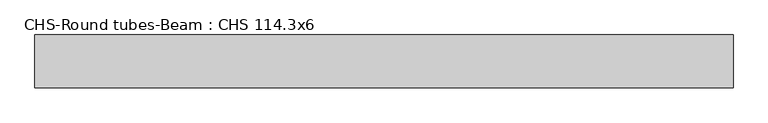
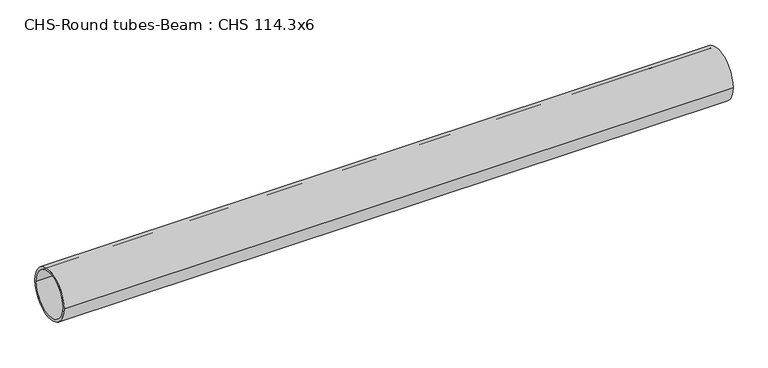
"""IFC4 building model written with IfcOpenShell, lengths in millimetres: beam geometry, CHS-Round tubes-Beam : CHS 114.3x6."""

from ifc_helpers import new_model, si_unit, point, frame, origin, origin_2d, place, context, project, spatial, circle_curve, trimmed, segment, composite_curve, outline, extrude, source, transform, mapped, element, save


def chs_round_tubes_beam_chs_114_3x6_0843cf11(model_context):
    return source(origin(), model_context, "Body", "SweptSolid", [
        extrude(outline(composite_curve([segment(trimmed(circle_curve(origin_2d(), 57.15), [point((57.15, 0.0))], [point((-57.15, 0.0))], False, "CARTESIAN"), True, "CONTINUOUS"), segment(trimmed(circle_curve(origin_2d(), 57.15), [point((-57.15, 0.0))], [point((57.15, 0.0))], False, "CARTESIAN"), True, "CONTINUOUS")], self_intersect=False), holes=[composite_curve([segment(trimmed(circle_curve(origin_2d(), 51.15), [point((51.15, 0.0))], [point((-51.15, 0.0))], True, "CARTESIAN"), True, "CONTINUOUS"), segment(trimmed(circle_curve(origin_2d(), 51.15), [point((-51.15, 0.0))], [point((51.15, 0.0))], True, "CARTESIAN"), True, "CONTINUOUS")], self_intersect=False)]), frame((-749.3385692, 0.0, 0.0), z_axis=(1.0, 0.0, 0.0), x_axis=(0.0, 1.0, 0.0)), (0.0, 0.0, 1.0), 1514.7212623),
    ])


if __name__ == "__main__":
    model = new_model("IFC4")
    model_context = context("Model", 3, world=origin())
    ifc_project = project(units=[si_unit("LENGTHUNIT", "METRE", prefix="MILLI")], contexts=[model_context])
    site = spatial("IfcSite", under=ifc_project)
    building = spatial("IfcBuilding", under=site)
    placement = place(None, origin())
    chs_round_tubes_beam_chs_114_3x6_shape = chs_round_tubes_beam_chs_114_3x6_0843cf11(model_context)
    element("IfcBeam", 1, ObjectType="CHS-Round tubes-Beam : CHS 114.3x6", at=placement, inside=building, context=model_context, shape_type="MappedRepresentation", body=[
        mapped(chs_round_tubes_beam_chs_114_3x6_shape, transform((0.0, 0.0, 0.0), x_axis=(1.0, 0.0, 0.0), y_axis=(0.0, 1.0, 0.0), z_axis=(0.0, 0.0, 1.0))),
    ])
    save(model, "model.ifc")
